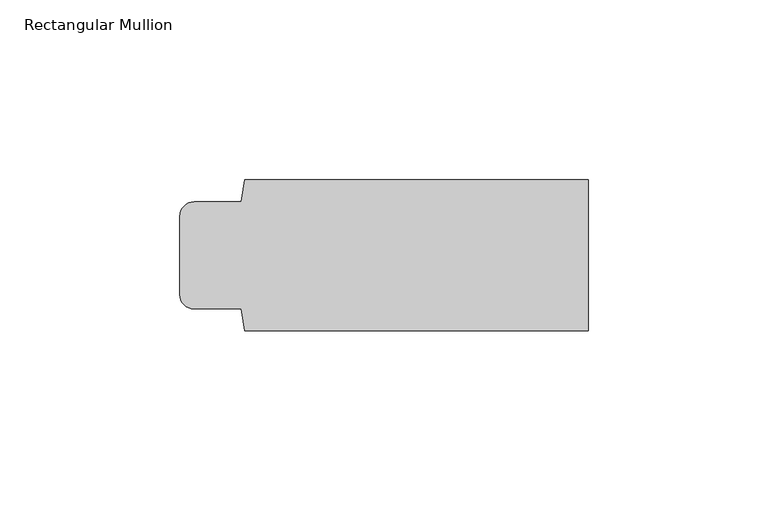
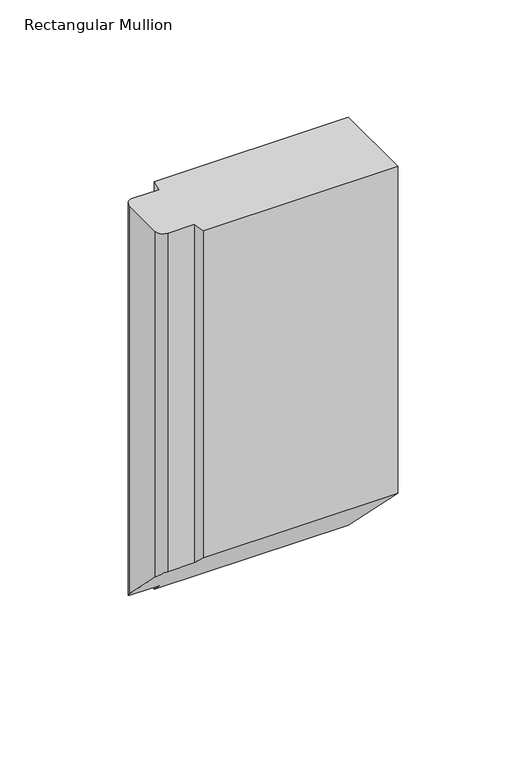
"""IFC4 building model written with IfcOpenShell, lengths in millimetres: member geometry, Rectangular Mullion."""

from ifc_helpers import new_model, si_unit, frame, origin, place, context, project, spatial, circle_curve, ellipse_curve, source, transform, mapped, element, save
from ifc_brep_helpers import plane_surface, cylinder_surface, advanced_brep


def rectangular_mullion_dfb18335(model_context):
    return source(origin(), model_context, "Body", "AdvancedBrep", [
        advanced_brep(
        [(0.0, 21.0, 0.0), (-95.5, 21.0, 0.0), (-96.5, 14.9, 0.0), (-109.5, 14.9, 0.0), (-113.5, 10.9, 0.0), (-113.5, -10.9, 0.0), (-109.5, -14.9, 0.0), (-96.5, -14.9, 0.0), (-95.5, -21.0, 0.0), (0.0, -21.0, 0.0), (0.0, 21.0, -211.9999997), (-95.5, 21.0, -211.9999997), (-96.5, 14.9, -205.8999997), (-109.5, 14.9, -205.8999997), (-113.5, 10.9, -201.8999997), (-113.5, -10.9, -180.0999997), (-109.5, -14.9, -176.0999997), (-96.5, -14.9, -176.0999997), (-95.5, -21.0, -169.9999997), (0.0, -21.0, -169.9999997)],
        [
            (0, 1),
            (1, 2),
            (2, 3),
            (3, 4, circle_curve(frame((-109.5, 10.9, 0.0), z_axis=(0.0, 0.0, 1.0), x_axis=(-1.0, 0.0, 0.0)), 4.0)),
            (4, 5),
            (5, 6, circle_curve(frame((-109.5, -10.9, 0.0), z_axis=(0.0, 0.0, 1.0), x_axis=(0.0, -1.0, 0.0)), 4.0)),
            (6, 7),
            (7, 8),
            (8, 9),
            (9, 0),
            (0, 10),
            (10, 11),
            (11, 1),
            (11, 12),
            (12, 2),
            (12, 13),
            (13, 3),
            (13, 14, ellipse_curve(frame((-109.5, 10.9, -201.8999997), z_axis=(0.0, 0.7071067811865476, 0.7071067811865476), x_axis=(0.0, -0.7071067811865476, 0.7071067811865474)), 5.6568542, 4.0)),
            (14, 4),
            (14, 15),
            (15, 5),
            (15, 16, ellipse_curve(frame((-109.5, -10.9, -180.0999997), z_axis=(0.0, 0.7071067811865476, 0.7071067811865476), x_axis=(0.0, -0.7071067811865476, 0.7071067811865474)), 5.6568542, 4.0)),
            (16, 6),
            (16, 17),
            (17, 7),
            (17, 18),
            (18, 8),
            (18, 19),
            (19, 9),
            (19, 10),
        ],
        [
            plane_surface(frame((0.0, -114.0221908, 0.0), z_axis=(0.0, 0.0, 1.0), x_axis=(-1.0, 0.0, 0.0))),
            plane_surface(frame((0.0, 21.0, 0.0), z_axis=(0.0, 1.0, 0.0), x_axis=(0.0, 0.0, -1.0))),
            plane_surface(frame((-95.5, 21.0, 0.0), z_axis=(-0.9868276651053609, 0.16177502706753552, 0.0), x_axis=(0.0, 0.0, -1.0))),
            plane_surface(frame((-96.5, 14.9, 0.0), z_axis=(0.0, 1.0, 0.0), x_axis=(0.0, 0.0, -1.0))),
            cylinder_surface(frame((-109.5, 10.9, 0.0), z_axis=(0.0, 0.0, 1.0), x_axis=(-1.0, 0.0, 0.0)), 4.0),
            plane_surface(frame((-113.5, 10.9, 0.0), z_axis=(-1.0, 0.0, 0.0), x_axis=(0.0, 0.0, -1.0))),
            cylinder_surface(frame((-109.5, -10.9, 0.0), z_axis=(0.0, 0.0, 1.0), x_axis=(0.0, -1.0, 0.0)), 4.0),
            plane_surface(frame((-109.5, -14.9, 0.0), z_axis=(0.0, -1.0, 0.0), x_axis=(0.0, 0.0, -1.0))),
            plane_surface(frame((-96.5, -14.9, 0.0), z_axis=(-0.9868276651056599, -0.16177502706571165, 0.0), x_axis=(0.0, 0.0, -1.0))),
            plane_surface(frame((-95.5, -21.0, 0.0), z_axis=(0.0, -1.0, 0.0), x_axis=(0.0, 0.0, -1.0))),
            plane_surface(frame((0.0, -21.0, 0.0), z_axis=(1.0, 0.0, 0.0), x_axis=(0.0, 0.0, -1.0))),
            plane_surface(frame((304.8, 0.0, -190.9999997), z_axis=(0.0, -0.7071067811865476, -0.7071067811865476), x_axis=(0.0, -0.7071067811865476, 0.7071067811865476))),
        ],
        [
            (0, [[1, 2, 3, 4, 5, 6, 7, 8, 9, 10]]),
            (1, [[-1, 11, 12, 13]]),
            (2, [[-2, -13, 14, 15]]),
            (3, [[-3, -15, 16, 17]]),
            (4, [[-4, -17, 18, 19]]),
            (5, [[-5, -19, 20, 21]]),
            (6, [[-6, -21, 22, 23]]),
            (7, [[-7, -23, 24, 25]]),
            (8, [[-8, -25, 26, 27]]),
            (9, [[-9, -27, 28, 29]]),
            (10, [[-10, -29, 30, -11]]),
            (11, [[-30, -28, -26, -24, -22, -20, -18, -16, -14, -12]]),
        ],
    ),
    ])


if __name__ == "__main__":
    model = new_model("IFC4")
    model_context = context("Model", 3, world=origin())
    ifc_project = project(units=[si_unit("LENGTHUNIT", "METRE", prefix="MILLI")], contexts=[model_context])
    site = spatial("IfcSite", under=ifc_project)
    building = spatial("IfcBuilding", under=site)
    placement = place(None, origin())
    rectangular_mullion_shape = rectangular_mullion_dfb18335(model_context)
    element("IfcMember", 1, ObjectType="Rectangular Mullion", at=placement, inside=building, context=model_context, shape_type="MappedRepresentation", body=[
        mapped(rectangular_mullion_shape, transform((0.0, 0.0, 0.0), x_axis=(1.0, 0.0, 0.0), y_axis=(0.0, 1.0, 0.0), z_axis=(0.0, 0.0, 1.0))),
    ])
    save(model, "model.ifc")
